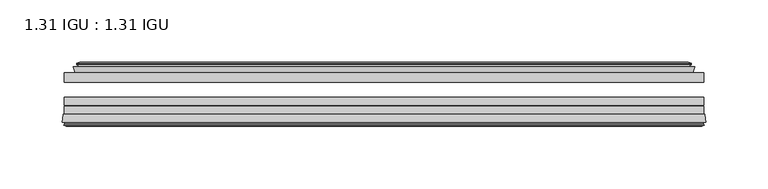
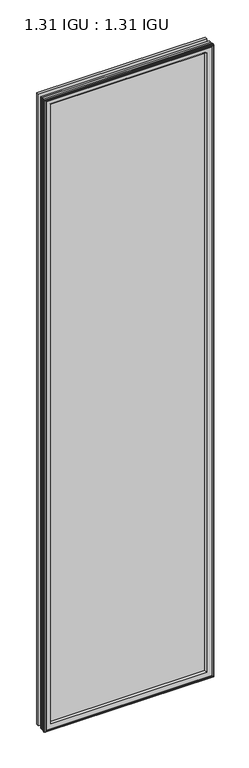
"""IFC4 building model written with IfcOpenShell, lengths in millimetres: plate geometry, 1.31 IGU : 1.31 IGU."""

from ifc_helpers import new_model, si_unit, frame, origin, place, context, project, spatial, polyline, ellipse_curve, outline, extrude, faceted_brep, source, transform, mapped, element, save
from ifc_brep_helpers import plane_surface, revolved_surface, advanced_brep


def plate_1_31_igu_1_31_igu_e73c5f81(model_context):
    return source(origin(), model_context, "Body", "SolidModel", [
        extrude(outline(polyline([(256.3312604, -17.9712937), (256.3312604, -25.8960937), (-256.3312604, -25.8960937), (-256.3312604, -17.9712937), (256.3312604, -17.9712937)])), frame((0.0, 0.0, -19.05), z_axis=(0.0, 0.0, 1.0), x_axis=(1.0, 0.0, 0.0)), (0.0, 0.0, 1.0), 2032.0),
        extrude(outline(polyline([(-256.3312604, -51.2960937), (-256.3312604, -44.9460937), (256.3312604, -44.9460937), (256.3312604, -51.2960937), (-256.3312604, -51.2960937)])), frame((0.0, 0.0, -19.05), z_axis=(0.0, 0.0, 1.0), x_axis=(1.0, 0.0, 0.0)), (0.0, 0.0, 1.0), 2032.0),
        extrude(outline(polyline([(-256.3312604, -44.1586938), (-256.3312604, -37.8086938), (256.3312604, -37.8086938), (256.3312604, -44.1586938), (-256.3312604, -44.1586938)])), frame((0.0, 0.0, -19.05), z_axis=(0.0, 0.0, 1.0), x_axis=(1.0, 0.0, 0.0)), (0.0, 0.0, 1.0), 2032.0),
        faceted_brep([(-247.4126608, -17.9712937, 2004.0314005), (-249.0568941, -13.1960937, 2005.6756337), (-249.0568941, -13.1960937, -11.7756337), (-247.4126608, -17.9712937, -10.1314005), (-237.8019604, -13.1960937, 1994.4207), (-236.6325298, -17.9712937, 1993.2512695), (-236.6325298, -17.9712937, 0.6487305), (-237.8019604, -13.1960937, -0.5207), (-243.3666806, -10.902778, 1999.9854203), (-242.7521885, -13.1960937, 1999.3709281), (-242.7521885, -13.1960937, -5.4709281), (-243.3666806, -10.902778, -6.0854203), (-241.9744313, -11.27583, 1998.5931709), (-241.9744313, -11.27583, -4.6931709), (-241.743114, -10.4125422, 1998.3618537), (-241.743114, -10.4125422, -4.4618537), (-244.1519604, -9.7670937, 2000.7707), (-244.1519604, -9.7670937, -6.8707), (-246.5608067, -10.4125422, 2003.1795463), (-246.5608067, -10.4125422, -9.2795463), (-246.3294894, -11.27583, 2002.9482291), (-246.3294894, -11.27583, -9.0482291), (-244.9426618, -10.9042307, 2001.5614014), (-244.9426618, -10.9042307, -7.6614014), (-245.6873332, -13.1960937, 2002.3060729), (-245.6873332, -13.1960937, -8.4060729), (249.0568941, -13.1960937, -11.7756337), (247.4126608, -17.9712937, -10.1314005), (236.6325298, -17.9712937, 0.6487305), (237.8019604, -13.1960937, -0.5207), (242.7521885, -13.1960937, -5.4709281), (243.3666806, -10.902778, -6.0854203), (241.9744313, -11.27583, -4.6931709), (241.743114, -10.4125422, -4.4618537), (244.1519604, -9.7670937, -6.8707), (246.5608067, -10.4125422, -9.2795463), (246.3294894, -11.27583, -9.0482291), (244.9426618, -10.9042307, -7.6614014), (245.6873332, -13.1960937, -8.4060729), (249.0568941, -13.1960937, 2005.6756337), (247.4126608, -17.9712937, 2004.0314005), (236.6325298, -17.9712937, 1993.2512695), (237.8019604, -13.1960937, 1994.4207), (242.7521885, -13.1960937, 1999.3709281), (243.3666806, -10.902778, 1999.9854203), (241.9744313, -11.27583, 1998.5931709), (241.743114, -10.4125422, 1998.3618537), (244.1519604, -9.7670937, 2000.7707), (246.5608067, -10.4125422, 2003.1795463), (246.3294894, -11.27583, 2002.9482291), (244.9426618, -10.9042307, 2001.5614014), (245.6873332, -13.1960937, 2002.3060729)], [[[0, 1, 2, 3]], [[4, 5, 6, 7]], [[8, 9, 10, 11]], [[12, 8, 11, 13]], [[14, 12, 13, 15]], [[16, 14, 15, 17]], [[18, 16, 17, 19]], [[20, 18, 19, 21]], [[22, 20, 21, 23]], [[24, 22, 23, 25]], [[3, 2, 26, 27]], [[7, 6, 28, 29]], [[11, 10, 30, 31]], [[13, 11, 31, 32]], [[15, 13, 32, 33]], [[17, 15, 33, 34]], [[19, 17, 34, 35]], [[21, 19, 35, 36]], [[23, 21, 36, 37]], [[25, 23, 37, 38]], [[27, 26, 39, 40]], [[29, 28, 41, 42]], [[31, 30, 43, 44]], [[32, 31, 44, 45]], [[33, 32, 45, 46]], [[34, 33, 46, 47]], [[35, 34, 47, 48]], [[36, 35, 48, 49]], [[37, 36, 49, 50]], [[38, 37, 50, 51]], [[40, 39, 1, 0]], [[3, 27, 40, 0], [5, 41, 28, 6]], [[42, 41, 5, 4]], [[9, 43, 30, 10], [7, 29, 42, 4]], [[44, 43, 9, 8]], [[45, 44, 8, 12]], [[46, 45, 12, 14]], [[47, 46, 14, 16]], [[48, 47, 16, 18]], [[49, 48, 18, 20]], [[50, 49, 20, 22]], [[51, 50, 22, 24]], [[1, 39, 26, 2], [25, 38, 51, 24]]]),
        advanced_brep(
        [(-233.6439454, -51.2960937, 1990.2626851), (-237.2812604, -57.6460937, 1993.9), (-237.2812604, -57.6460937, 0.0), (-233.6439454, -51.2960937, 3.6373149), (-257.9270387, -57.6460937, 2014.5457783), (-257.1473567, -51.2960937, 2013.7660964), (-257.1473567, -51.2960937, -19.8660964), (-257.9270387, -57.6460937, -20.6457783), (-255.5270348, -59.6558685, 2012.1457744), (-255.9860616, -57.6460937, 2012.6048013), (-255.9860616, -57.6460937, -18.7048013), (-255.5270348, -59.6558685, -18.2457744), (-256.5107191, -59.3738016, 2013.1294588), (-256.5107191, -59.3738016, -19.2294588), (-256.7642036, -60.2578071, 2013.3829433), (-256.7642036, -60.2578071, -19.4829433), (-254.7412601, -60.8378768, 2011.3599998), (-254.7412601, -60.8378768, -17.4599998), (-252.6975993, -60.2902795, 2009.3163389), (-252.6975993, -60.2902795, -15.4163389), (-252.9424686, -59.3764147, 2009.5612083), (-252.9424686, -59.3764147, -15.6612083), (-253.9651024, -59.6504286, 2010.5838421), (-253.9651024, -59.6504286, -16.6838421), (-253.5023653, -57.6460937, 2010.1211049), (-253.5023653, -57.6460937, -16.2211049), (237.2812604, -57.6460938, 0.0), (233.6439454, -51.2960937, 3.6373149), (257.1473567, -51.2960937, -19.8660964), (257.9270387, -57.6460938, -20.6457783), (255.9860616, -57.6460938, -18.7048013), (255.5270348, -59.6558685, -18.2457744), (256.5107191, -59.3738016, -19.2294588), (256.7642036, -60.2578071, -19.4829433), (254.7412601, -60.8378768, -17.4599998), (252.6975993, -60.2902795, -15.4163389), (252.9424686, -59.3764147, -15.6612083), (253.9651024, -59.6504286, -16.6838421), (253.5023653, -57.6460938, -16.2211049), (237.2812604, -57.6460938, 1993.9), (233.6439454, -51.2960937, 1990.2626851), (257.1473567, -51.2960937, 2013.7660964), (257.9270387, -57.6460938, 2014.5457783), (255.9860616, -57.6460938, 2012.6048013), (255.5270348, -59.6558685, 2012.1457744), (256.5107191, -59.3738016, 2013.1294588), (256.7642036, -60.2578071, 2013.3829433), (254.7412601, -60.8378768, 2011.3599998), (252.6975993, -60.2902795, 2009.3163389), (252.9424686, -59.3764147, 2009.5612083), (253.9651024, -59.6504286, 2010.5838421), (253.5023653, -57.6460938, 2010.1211049)],
        [
            (0, 1, ellipse_curve(frame((-228.8503153, -58.2586484, 1985.469055), z_axis=(0.7071067811865475, 0.0, 0.7071067811865475), x_axis=(0.7071067811865474, 0.0, -0.7071067811865476)), 11.9545855, 8.4531685)),
            (1, 2),
            (2, 3, ellipse_curve(frame((-228.8503153, -58.2586484, 8.430945), z_axis=(0.7071067811865475, 0.0, -0.7071067811865475), x_axis=(-0.7071067811865474, 0.0, -0.7071067811865476)), 11.9545855, 8.4531685)),
            (3, 0),
            (4, 5),
            (5, 6),
            (6, 7),
            (7, 4),
            (8, 9),
            (9, 10),
            (10, 11),
            (11, 8),
            (12, 8),
            (11, 13),
            (13, 12),
            (14, 12),
            (13, 15),
            (15, 14),
            (16, 14),
            (15, 17),
            (17, 16),
            (18, 16),
            (17, 19),
            (19, 18),
            (20, 18),
            (19, 21),
            (21, 20),
            (22, 20),
            (21, 23),
            (23, 22),
            (24, 22),
            (23, 25),
            (25, 24),
            (2, 26),
            (26, 27, ellipse_curve(frame((228.8503153, -58.2586484, 8.430945), z_axis=(0.7071067811865475, 0.0, 0.7071067811865475), x_axis=(0.7071067811865476, 0.0, -0.7071067811865474)), 11.9545855, 8.4531685)),
            (27, 3),
            (6, 28),
            (28, 29),
            (29, 7),
            (10, 30),
            (30, 31),
            (31, 11),
            (31, 32),
            (32, 13),
            (32, 33),
            (33, 15),
            (33, 34),
            (34, 17),
            (34, 35),
            (35, 19),
            (35, 36),
            (36, 21),
            (36, 37),
            (37, 23),
            (37, 38),
            (38, 25),
            (26, 39),
            (39, 40, ellipse_curve(frame((228.8503153, -58.2586484, 1985.469055), z_axis=(-0.7071067811865475, 0.0, 0.7071067811865475), x_axis=(0.7071067811865474, 0.0, 0.7071067811865476)), 11.9545855, 8.4531685)),
            (40, 27),
            (28, 41),
            (41, 42),
            (42, 29),
            (30, 43),
            (43, 44),
            (44, 31),
            (44, 45),
            (45, 32),
            (45, 46),
            (46, 33),
            (46, 47),
            (47, 34),
            (47, 48),
            (48, 35),
            (48, 49),
            (49, 36),
            (49, 50),
            (50, 37),
            (50, 51),
            (51, 38),
            (51, 24),
            (1, 39),
            (0, 40),
            (5, 41),
            (4, 42),
            (9, 43),
            (8, 44),
            (12, 45),
            (14, 46),
            (16, 47),
            (18, 48),
            (20, 49),
            (22, 50),
        ],
        [
            revolved_surface(polyline([(-237.3034838, -58.2586484, -0.02222347332440222), (-237.3034838, -58.2586484, 1993.9222234733245)]), (-228.8503153, -58.2586484, 2025.65), (0.0, 0.0, -1.0)),
            plane_surface(frame((-257.1473567, -51.2960937, 2013.7660964), z_axis=(-0.9925461516413234, 0.12186934340513637, 0.0), x_axis=(0.0, 0.0, -1.0))),
            plane_surface(frame((-255.9860616, -57.6460937, 2012.6048013), z_axis=(-0.9748953990049445, -0.22266333555165796, 0.0), x_axis=(0.0, 0.0, -1.0))),
            plane_surface(frame((-255.5270348, -59.6558685, 2012.1457744), z_axis=(0.27563735581726606, 0.9612616959382424, 0.0), x_axis=(0.0, 0.0, -1.0))),
            plane_surface(frame((-256.5107191, -59.3738016, 2013.1294588), z_axis=(-0.9612616959382463, 0.2756373558172523, 0.0), x_axis=(0.0, 0.0, -1.0))),
            plane_surface(frame((-256.7642036, -60.2578071, 2013.3829433), z_axis=(-0.2756373558170135, -0.9612616959383148, 0.0), x_axis=(0.0, 0.0, -1.0))),
            plane_surface(frame((-254.7412601, -60.8378768, 2011.3599998), z_axis=(0.25881904510226056, -0.965925826289138, 0.0), x_axis=(0.0, 0.0, -1.0))),
            plane_surface(frame((-252.6975993, -60.2902795, 2009.3163389), z_axis=(0.9659258262891444, 0.25881904510223736, 0.0), x_axis=(0.0, 0.0, -1.0))),
            plane_surface(frame((-252.9424686, -59.3764147, 2009.5612083), z_axis=(-0.2588190451025015, 0.9659258262890735, 0.0), x_axis=(0.0, 0.0, -1.0))),
            plane_surface(frame((-253.9651024, -59.6504286, 2010.5838421), z_axis=(0.9743700647852117, -0.22495105434396695, 0.0), x_axis=(0.0, 0.0, -1.0))),
            revolved_surface(polyline([(237.30348377332433, -58.2586484, -0.02222350000000084), (-237.3034837733244, -58.2586484, -0.02222350000000084)]), (-269.0312604, -58.2586484, 8.430945), (1.0, 0.0, 0.0)),
            plane_surface(frame((-257.1473567, -51.2960937, -19.8660964), z_axis=(0.0, 0.12186934340513315, -0.9925461516413239), x_axis=(1.0, 0.0, 0.0))),
            plane_surface(frame((-255.9860616, -57.6460937, -18.7048013), z_axis=(0.0, -0.22266333555166112, -0.9748953990049438), x_axis=(1.0, 0.0, 0.0))),
            plane_surface(frame((-255.5270348, -59.6558685, -18.2457744), z_axis=(0.0, 0.9612616959382433, 0.27563735581726295), x_axis=(1.0, 0.0, 0.0))),
            plane_surface(frame((-256.5107191, -59.3738016, -19.2294588), z_axis=(0.0, 0.2756373558172492, -0.9612616959382472), x_axis=(1.0, 0.0, 0.0))),
            plane_surface(frame((-256.7642036, -60.2578071, -19.4829433), z_axis=(0.0, -0.9612616959383157, -0.2756373558170104), x_axis=(1.0, 0.0, 0.0))),
            plane_surface(frame((-254.7412601, -60.8378768, -17.4599998), z_axis=(0.0, -0.9659258262891373, 0.2588190451022637), x_axis=(1.0, 0.0, 0.0))),
            plane_surface(frame((-252.6975993, -60.2902795, -15.4163389), z_axis=(0.0, 0.25881904510224046, 0.9659258262891435), x_axis=(1.0, 0.0, 0.0))),
            plane_surface(frame((-252.9424686, -59.3764147, -15.6612083), z_axis=(0.0, 0.9659258262890726, -0.2588190451025046), x_axis=(1.0, 0.0, 0.0))),
            plane_surface(frame((-253.9651024, -59.6504286, -16.6838421), z_axis=(0.0, -0.22495105434396379, 0.9743700647852125), x_axis=(1.0, 0.0, 0.0))),
            revolved_surface(polyline([(237.3034838, -58.2586484, 1993.9222234733245), (237.3034838, -58.2586484, -0.022223473324370246)]), (228.8503153, -58.2586484, -31.75), (0.0, 0.0, 1.0)),
            plane_surface(frame((257.1473567, -51.2960937, -19.8660964), z_axis=(0.9925461516413243, 0.12186934340512993, 0.0), x_axis=(0.0, 0.0, 1.0))),
            plane_surface(frame((255.9860616, -57.6460938, -18.7048013), z_axis=(0.9748953990049432, -0.2226633355516643, 0.0), x_axis=(0.0, 0.0, 1.0))),
            plane_surface(frame((255.5270348, -59.6558685, -18.2457744), z_axis=(-0.27563735581725984, 0.9612616959382442, 0.0), x_axis=(0.0, 0.0, 1.0))),
            plane_surface(frame((256.5107191, -59.3738016, -19.2294588), z_axis=(0.9612616959382481, 0.2756373558172461, 0.0), x_axis=(0.0, 0.0, 1.0))),
            plane_surface(frame((256.7642036, -60.2578071, -19.4829433), z_axis=(0.27563735581700727, -0.9612616959383166, 0.0), x_axis=(0.0, 0.0, 1.0))),
            plane_surface(frame((254.7412601, -60.8378768, -17.4599998), z_axis=(-0.25881904510226683, -0.9659258262891364, 0.0), x_axis=(0.0, 0.0, 1.0))),
            plane_surface(frame((252.6975993, -60.2902795, -15.4163389), z_axis=(-0.9659258262891426, 0.2588190451022436, 0.0), x_axis=(0.0, 0.0, 1.0))),
            plane_surface(frame((252.9424686, -59.3764147, -15.6612083), z_axis=(0.2588190451025077, 0.9659258262890718, 0.0), x_axis=(0.0, 0.0, 1.0))),
            plane_surface(frame((253.9651024, -59.6504286, -16.6838421), z_axis=(-0.9743700647852133, -0.22495105434396062, 0.0), x_axis=(0.0, 0.0, 1.0))),
            plane_surface(frame((253.5023653, -57.6460938, 2010.1211049), z_axis=(0.0, -1.0, 0.0), x_axis=(-1.0, 0.0, 0.0))),
            revolved_surface(polyline([(-237.30348377332433, -58.2586484, 1993.9222235), (237.3034837733244, -58.2586484, 1993.9222235)]), (269.0312604, -58.2586484, 1985.469055), (-1.0, 0.0, 0.0)),
            plane_surface(frame((233.6439454, -51.2960937, 1990.2626851), z_axis=(0.0, 1.0, 0.0), x_axis=(-1.0, 0.0, 0.0))),
            plane_surface(frame((257.1473567, -51.2960937, 2013.7660964), z_axis=(0.0, 0.12186934340513315, 0.9925461516413239), x_axis=(-1.0, 0.0, 0.0))),
            plane_surface(frame((257.9270387, -57.6460938, 2014.5457783), z_axis=(0.0, -1.0, 0.0), x_axis=(-1.0, 0.0, 0.0))),
            plane_surface(frame((255.9860616, -57.6460938, 2012.6048013), z_axis=(0.0, -0.22266333555166112, 0.9748953990049438), x_axis=(-1.0, 0.0, 0.0))),
            plane_surface(frame((255.5270348, -59.6558685, 2012.1457744), z_axis=(0.0, 0.9612616959382433, -0.27563735581726295), x_axis=(-1.0, 0.0, 0.0))),
            plane_surface(frame((256.5107191, -59.3738016, 2013.1294588), z_axis=(0.0, 0.2756373558172492, 0.9612616959382472), x_axis=(-1.0, 0.0, 0.0))),
            plane_surface(frame((256.7642036, -60.2578071, 2013.3829433), z_axis=(0.0, -0.9612616959383157, 0.2756373558170104), x_axis=(-1.0, 0.0, 0.0))),
            plane_surface(frame((254.7412601, -60.8378768, 2011.3599998), z_axis=(0.0, -0.9659258262891373, -0.2588190451022637), x_axis=(-1.0, 0.0, 0.0))),
            plane_surface(frame((252.6975993, -60.2902795, 2009.3163389), z_axis=(0.0, 0.25881904510224046, -0.9659258262891435), x_axis=(-1.0, 0.0, 0.0))),
            plane_surface(frame((252.9424686, -59.3764147, 2009.5612083), z_axis=(0.0, 0.9659258262890726, 0.2588190451025046), x_axis=(-1.0, 0.0, 0.0))),
            plane_surface(frame((253.9651024, -59.6504286, 2010.5838421), z_axis=(0.0, -0.22495105434396379, -0.9743700647852125), x_axis=(-1.0, 0.0, 0.0))),
        ],
        [
            (0, [[1, 2, 3, 4]]),
            (1, [[5, 6, 7, 8]]),
            (2, [[9, 10, 11, 12]]),
            (3, [[13, -12, 14, 15]]),
            (4, [[16, -15, 17, 18]]),
            (5, [[19, -18, 20, 21]]),
            (6, [[22, -21, 23, 24]]),
            (7, [[25, -24, 26, 27]]),
            (8, [[28, -27, 29, 30]]),
            (9, [[31, -30, 32, 33]]),
            (10, [[-3, 34, 35, 36]]),
            (11, [[-7, 37, 38, 39]]),
            (12, [[-11, 40, 41, 42]]),
            (13, [[-14, -42, 43, 44]]),
            (14, [[-17, -44, 45, 46]]),
            (15, [[-20, -46, 47, 48]]),
            (16, [[-23, -48, 49, 50]]),
            (17, [[-26, -50, 51, 52]]),
            (18, [[-29, -52, 53, 54]]),
            (19, [[-32, -54, 55, 56]]),
            (20, [[-35, 57, 58, 59]]),
            (21, [[-38, 60, 61, 62]]),
            (22, [[-41, 63, 64, 65]]),
            (23, [[-43, -65, 66, 67]]),
            (24, [[-45, -67, 68, 69]]),
            (25, [[-47, -69, 70, 71]]),
            (26, [[-49, -71, 72, 73]]),
            (27, [[-51, -73, 74, 75]]),
            (28, [[-53, -75, 76, 77]]),
            (29, [[-55, -77, 78, 79]]),
            (30, [[-56, -79, 80, -33], [81, -57, -34, -2]]),
            (31, [[-58, -81, -1, 82]]),
            (32, [[83, -60, -37, -6], [-36, -59, -82, -4]]),
            (33, [[-61, -83, -5, 84]]),
            (34, [[-39, -62, -84, -8], [85, -63, -40, -10]]),
            (35, [[-64, -85, -9, 86]]),
            (36, [[-66, -86, -13, 87]]),
            (37, [[-68, -87, -16, 88]]),
            (38, [[-70, -88, -19, 89]]),
            (39, [[-72, -89, -22, 90]]),
            (40, [[-74, -90, -25, 91]]),
            (41, [[-76, -91, -28, 92]]),
            (42, [[-78, -92, -31, -80]]),
        ],
    ),
    ])


if __name__ == "__main__":
    model = new_model("IFC4")
    model_context = context("Model", 3, world=origin())
    ifc_project = project(units=[si_unit("LENGTHUNIT", "METRE", prefix="MILLI")], contexts=[model_context])
    site = spatial("IfcSite", under=ifc_project)
    building = spatial("IfcBuilding", under=site)
    placement = place(None, origin())
    plate_1_31_igu_1_31_igu_shape = plate_1_31_igu_1_31_igu_e73c5f81(model_context)
    element("IfcPlate", 1, ObjectType="1.31 IGU : 1.31 IGU", at=placement, inside=building, context=model_context, shape_type="MappedRepresentation", body=[
        mapped(plate_1_31_igu_1_31_igu_shape, transform((0.0, 0.0, 0.0), x_axis=(1.0, 0.0, 0.0), y_axis=(0.0, 1.0, 0.0), z_axis=(0.0, 0.0, 1.0))),
    ])
    save(model, "model.ifc")
